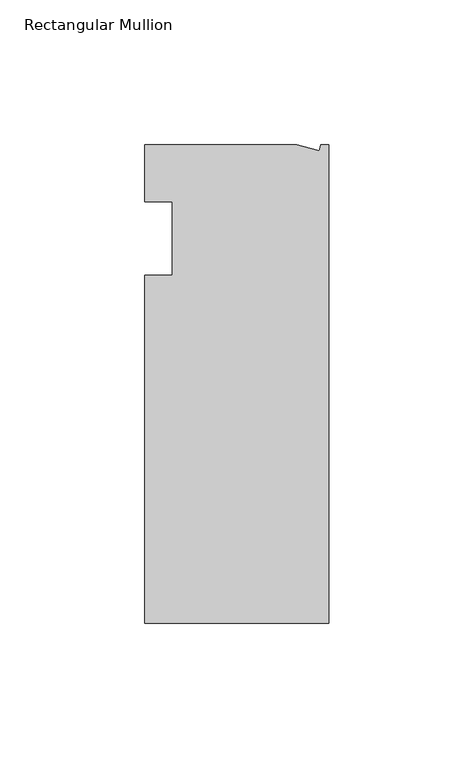
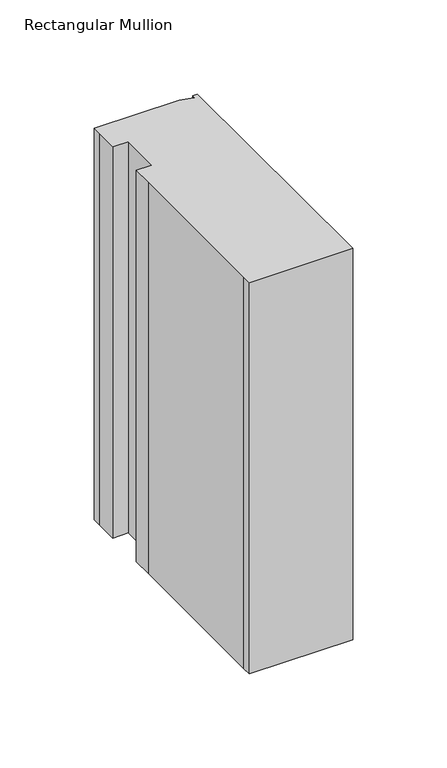
"""IFC4 building model written with IfcOpenShell, lengths in millimetres: member geometry, Rectangular Mullion."""

from ifc_helpers import new_model, si_unit, frame, origin, place, context, project, spatial, polyline, outline, extrude, source, transform, mapped, element, save


def rectangular_mullion_02705f50(model_context):
    return source(origin(), model_context, "Body", "SweptSolid", [
        extrude(outline(polyline([(-11.1265412, 19.6597595), (-3.3457217, 17.5748952), (-2.787084, 19.6597595), (0.0, 19.6597595), (0.0, -145.4402405), (-63.5, -145.4402405), (-63.5, -139.0912527), (-63.5, -38.3358837), (-63.5, -25.4), (-53.975, -25.4), (-53.975, 0.0), (-63.5, 0.0), (-63.5, 13.6146679), (-63.5, 19.6597595), (-11.1265412, 19.6597595)])), frame((0.0, 0.0, -254.0), z_axis=(0.0, 0.0, 1.0), x_axis=(1.0, 0.0, 0.0)), (0.0, 0.0, 1.0), 254.0),
    ])


if __name__ == "__main__":
    model = new_model("IFC4")
    model_context = context("Model", 3, world=origin())
    ifc_project = project(units=[si_unit("LENGTHUNIT", "METRE", prefix="MILLI")], contexts=[model_context])
    site = spatial("IfcSite", under=ifc_project)
    building = spatial("IfcBuilding", under=site)
    placement = place(None, origin())
    rectangular_mullion_shape = rectangular_mullion_02705f50(model_context)
    element("IfcMember", 1, ObjectType="Rectangular Mullion", at=placement, inside=building, context=model_context, shape_type="MappedRepresentation", body=[
        mapped(rectangular_mullion_shape, transform((0.0, 0.0, 0.0), x_axis=(1.0, 0.0, 0.0), y_axis=(0.0, 1.0, 0.0), z_axis=(0.0, 0.0, 1.0))),
    ])
    save(model, "model.ifc")
